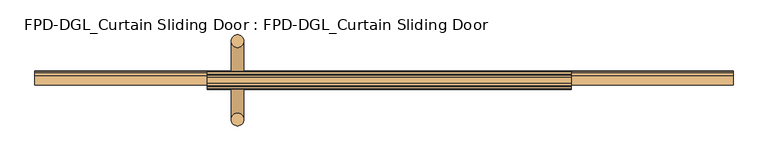
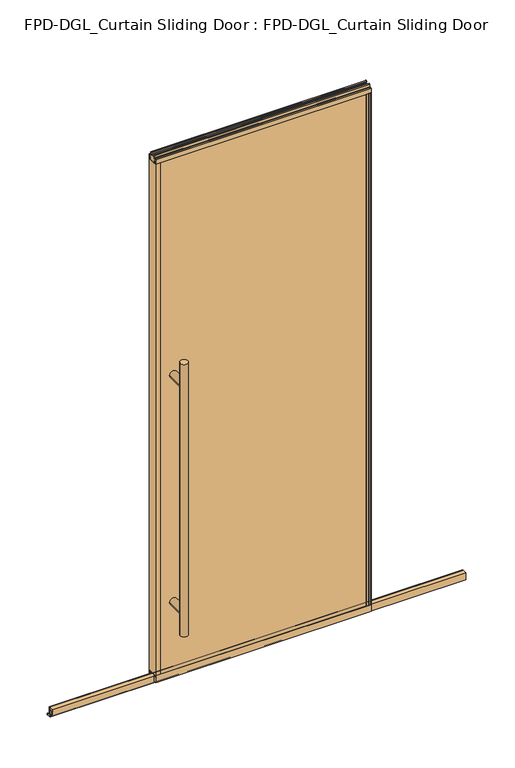
"""IFC4 building model written with IfcOpenShell, lengths in millimetres: door geometry, FPD-DGL_Curtain Sliding Door : FPD-DGL_Curtain Sliding Door."""

from ifc_helpers import new_model, si_unit, point, frame, frame_2d, origin, place, context, project, spatial, polyline, circle_curve, ellipse_curve, trimmed, segment, composite_curve, outline, extrude, source, transform, mapped, element, save
from ifc_brep_helpers import plane_surface, cylinder_surface, advanced_brep


def fpd_dgl_curtain_sliding_door_fpd_dgl_curtain_sliding_door_f60e6646(model_context):
    return source(origin(), model_context, "Body", "SolidModel", [
        advanced_brep(
        [(-364.33125, 35.128049, 1473.2), (-396.08125, 35.128049, 1473.2), (-364.33125, -162.0969566, 1473.2), (-396.08125, -162.0969566, 1473.2), (-364.33125, 35.128049, 254.0), (-396.08125, 35.128049, 254.0), (-364.33125, -162.0969566, 254.0), (-396.08125, -162.0969566, 254.0), (-364.33125, 35.128049, 355.6), (-396.08125, 35.128049, 355.6), (-364.33125, 35.128049, 1371.6), (-396.08125, 35.128049, 1371.6), (-396.08125, -162.0969566, 1371.6), (-396.08125, -162.0969566, 355.6), (-364.33125, -162.0969566, 355.6), (-364.33125, -162.0969566, 1371.6)],
        [
            (0, 1, circle_curve(frame((-380.20625, 35.128049, 1473.2), z_axis=(0.0, 0.0, 1.0), x_axis=(-1.0, 0.0, 0.0)), 15.875)),
            (1, 0, circle_curve(frame((-380.20625, 35.128049, 1473.2), z_axis=(0.0, 0.0, 1.0), x_axis=(-1.0, 0.0, 0.0)), 15.875)),
            (2, 3, circle_curve(frame((-380.20625, -162.0969566, 1473.2), z_axis=(0.0, 0.0, 1.0), x_axis=(-1.0, 0.0, 0.0)), 15.875)),
            (3, 2, circle_curve(frame((-380.20625, -162.0969566, 1473.2), z_axis=(0.0, 0.0, 1.0), x_axis=(-1.0, 0.0, 0.0)), 15.875)),
            (4, 5, circle_curve(frame((-380.20625, 35.128049, 254.0), z_axis=(0.0, 0.0, -1.0), x_axis=(-1.0, 0.0, 0.0)), 15.875)),
            (5, 4, circle_curve(frame((-380.20625, 35.128049, 254.0), z_axis=(0.0, 0.0, -1.0), x_axis=(-1.0, 0.0, 0.0)), 15.875)),
            (6, 7, circle_curve(frame((-380.20625, -162.0969566, 254.0), z_axis=(0.0, 0.0, -1.0), x_axis=(-1.0, 0.0, 0.0)), 15.875)),
            (7, 6, circle_curve(frame((-380.20625, -162.0969566, 254.0), z_axis=(0.0, 0.0, -1.0), x_axis=(-1.0, 0.0, 0.0)), 15.875)),
            (4, 8),
            (8, 9, ellipse_curve(frame((-380.20625, 35.128049, 355.6), z_axis=(0.0, 0.7071067811865525, -0.7071067811865427), x_axis=(0.0, 0.7071067811865427, 0.7071067811865523)), 22.4506403, 15.875)),
            (9, 5),
            (10, 11, ellipse_curve(frame((-380.20625, 35.128049, 1371.6), z_axis=(0.0, 0.7071067811865427, -0.7071067811865525), x_axis=(0.0, 0.7071067811865525, 0.7071067811865425)), 22.4506403, 15.875)),
            (11, 9),
            (9, 8, ellipse_curve(frame((-380.20625, 35.128049, 355.6), z_axis=(0.0, 0.7071067811865427, 0.7071067811865525), x_axis=(0.0, -0.7071067811865525, 0.7071067811865425)), 22.4506403, 15.875)),
            (8, 10),
            (1, 11),
            (11, 10, ellipse_curve(frame((-380.20625, 35.128049, 1371.6), z_axis=(0.0, 0.7071067811865525, 0.7071067811865427), x_axis=(0.0, -0.7071067811865427, 0.7071067811865523)), 22.4506403, 15.875)),
            (10, 0),
            (3, 12),
            (12, 13),
            (13, 7),
            (6, 14),
            (14, 15),
            (15, 2),
            (15, 12, ellipse_curve(frame((-380.20625, -162.0969566, 1371.6), z_axis=(0.0, -0.7071067811865427, 0.7071067811865525), x_axis=(0.0, 0.7071067811865525, 0.7071067811865425)), 22.4506403, 15.875)),
            (13, 14, ellipse_curve(frame((-380.20625, -162.0969566, 355.6), z_axis=(0.0, -0.7071067811865427, -0.7071067811865525), x_axis=(0.0, -0.7071067811865525, 0.7071067811865425)), 22.4506403, 15.875)),
            (14, 13, ellipse_curve(frame((-380.20625, -162.0969566, 355.6), z_axis=(0.0, -0.7071067811865525, 0.7071067811865427), x_axis=(0.0, 0.7071067811865427, 0.7071067811865523)), 22.4506403, 15.875)),
            (12, 15, ellipse_curve(frame((-380.20625, -162.0969566, 1371.6), z_axis=(0.0, -0.7071067811865525, -0.7071067811865427), x_axis=(0.0, -0.7071067811865427, 0.7071067811865523)), 22.4506403, 15.875)),
            (10, 15),
            (12, 11),
            (8, 14),
            (13, 9),
        ],
        [
            plane_surface(frame((-281.0988493, -63.5, 1473.2), z_axis=(0.0, 0.0, 1.0), x_axis=(0.0, 1.0, 0.0))),
            plane_surface(frame((-281.0988493, -63.5, 254.0), z_axis=(0.0, 0.0, -1.0), x_axis=(0.0, 1.0, 0.0))),
            cylinder_surface(frame((-380.20625, 35.128049, 1473.2), z_axis=(0.0, 0.0, 1.0), x_axis=(-1.0, 0.0, 0.0)), 15.875),
            cylinder_surface(frame((-380.20625, -162.0969566, 1473.2), z_axis=(0.0, 0.0, 1.0), x_axis=(-1.0, 0.0, 0.0)), 15.875),
            cylinder_surface(frame((-380.20625, -162.0969566, 1371.6), z_axis=(0.0, 1.0, 0.0), x_axis=(1.0, 0.0, 0.0)), 15.875),
            cylinder_surface(frame((-380.20625, -63.5, 355.6), z_axis=(0.0, 1.0, 0.0), x_axis=(1.0, 0.0, 0.0)), 15.875),
        ],
        [
            (0, [[1, 2]]),
            (0, [[3, 4]]),
            (1, [[5, 6]]),
            (1, [[7, 8]]),
            (2, [[9, 10, 11, -5]]),
            (2, [[12, 13, 14, 15]]),
            (2, [[16, 17, 18, -2]]),
            (2, [[-18, -15, -9, -6, -11, -13, -16, -1]]),
            (3, [[19, 20, 21, -7, 22, 23, 24, -4]]),
            (3, [[-24, 25, -19, -3]]),
            (3, [[-21, 26, -22, -8]]),
            (3, [[27, -20, 28, -23]]),
            (4, [[-12, 29, -28, 30]]),
            (4, [[-25, -29, -17, -30]]),
            (5, [[-10, 31, -26, 32]]),
            (5, [[-27, -31, -14, -32]]),
        ],
    ),
        extrude(outline(composite_curve([segment(polyline([(-59.6869794, 1.1714386), (-59.6869794, 4.0416386)]), True, "CONTINUOUS"), segment(trimmed(circle_curve(frame_2d((-58.5185794, 4.0416386)), 1.1684), [point((-59.6869794, 4.0416386))], [point((-58.9336188, 5.1338386))], False, "CARTESIAN"), True, "CONTINUOUS"), segment(polyline([(-58.9336188, 5.1338386), (-56.2262294, 5.1338386), (-56.2262294, 4.3138948), (-58.9122794, 4.3138948), (-58.9122794, 0.7650387), (-40.4337797, 0.7650387), (-40.4337797, 4.4232339), (-43.4288569, 4.4232339), (-43.4288569, 5.2100386), (-40.8401797, 5.2100386)]), True, "CONTINUOUS"), segment(trimmed(circle_curve(frame_2d((-40.8401797, 4.0416386)), 1.1684), [point((-40.8401797, 5.2100386))], [point((-39.6717797, 4.0416386))], False, "CARTESIAN"), True, "CONTINUOUS"), segment(polyline([(-39.6717797, 4.0416386), (-39.6717797, 1.1714386)]), True, "CONTINUOUS"), segment(trimmed(circle_curve(frame_2d((-40.8401797, 1.1714386)), 1.1684), [point((-39.6717797, 1.1714386))], [point((-40.8401797, 0.0030387))], False, "CARTESIAN"), True, "CONTINUOUS"), segment(polyline([(-40.8401797, 0.0030387), (-58.5185794, 0.0030387)]), True, "CONTINUOUS"), segment(trimmed(circle_curve(frame_2d((-58.5185794, 1.1714386)), 1.1684), [point((-58.5185794, 0.0030387))], [point((-59.6869794, 1.1714386))], False, "CARTESIAN"), True, "CONTINUOUS")], self_intersect=False)), frame((-888.20625, 0.0, 0.0), z_axis=(1.0, 0.0, 0.0), x_axis=(0.0, 1.0, 0.0)), (0.0, 0.0, 1.0), 1751.0125),
        extrude(outline(composite_curve([segment(polyline([(-74.4646139, 41.6030387), (-52.5646141, 41.6030387), (-52.5646141, 11.6839647), (-54.064702, 11.6839647), (-54.064702, 39.1709995)]), True, "CONTINUOUS"), segment(trimmed(circle_curve(frame_2d((-54.9969627, 39.1709995)), 0.9322606), [point((-54.064702, 39.1709995))], [point((-54.9969627, 40.1032601))], True, "CARTESIAN"), True, "CONTINUOUS"), segment(polyline([(-54.9969627, 40.1032601), (-60.0857402, 40.1032601)]), True, "CONTINUOUS"), segment(trimmed(circle_curve(frame_2d((-60.0857402, 39.1243868)), 0.9788733), [point((-60.0857402, 40.1032601))], [point((-61.0646135, 39.1243868))], True, "CARTESIAN"), True, "CONTINUOUS"), segment(polyline([(-61.0646135, 39.1243868), (-61.0646135, 11.6839647), (-62.6646138, 11.6839647), (-62.6646138, 33.5017657), (-64.0544462, 33.5017657), (-64.0544462, 34.3040626), (-62.6646138, 34.3040626), (-62.6646138, 35.6040627), (-73.4646139, 35.6040627), (-73.4646139, 34.3040626), (-72.0747815, 34.3040626), (-72.0747815, 33.5017657), (-73.4646139, 33.5017657), (-73.4646139, 11.6839647), (-74.4646139, 11.6839647), (-74.4646139, 41.6030387)]), True, "CONTINUOUS")], self_intersect=False)), frame((-888.20625, 0.0, 0.0), z_axis=(1.0, 0.0, 0.0), x_axis=(0.0, 1.0, 0.0)), (0.0, 0.0, 1.0), 1751.0125),
        extrude(outline(composite_curve([segment(polyline([(-49.1758097, 48.6471016), (-49.1758097, 47.6299627), (-50.5428229, 47.6299627), (-50.5428229, 41.3613764)]), True, "CONTINUOUS"), segment(trimmed(circle_curve(frame_2d((-48.227348, 41.3613764)), 2.3154748), [point((-50.5428229, 41.3613764))], [point((-48.227348, 39.0459016))], True, "CARTESIAN"), True, "CONTINUOUS"), segment(polyline([(-48.227348, 39.0459016), (-43.2396246, 39.0522555)]), True, "CONTINUOUS"), segment(trimmed(circle_curve(frame_2d((-43.337823, 39.8079016)), 0.762), [point((-43.2396246, 39.0522555))], [point((-42.575823, 39.8079016))], True, "CARTESIAN"), True, "CONTINUOUS"), segment(polyline([(-42.575823, 39.8079016), (-42.575823, 48.6471016), (-41.2758255, 48.6471016), (-41.2758255, 19.0059017), (-50.3972378, 19.0059017), (-50.3972378, 15.875), (-52.3015279, 15.875), (-52.3015279, 47.0470737), (-74.6984721, 47.0470737), (-74.6984721, 15.875), (-76.6027622, 15.875), (-76.6027622, 19.0059017), (-85.7241745, 19.0059017), (-85.7241745, 48.6471016), (-84.424177, 48.6471016), (-84.424177, 39.8079016)]), True, "CONTINUOUS"), segment(trimmed(circle_curve(frame_2d((-83.662177, 39.8079016)), 0.762), [point((-84.424177, 39.8079016))], [point((-83.7603754, 39.0522555))], True, "CARTESIAN"), True, "CONTINUOUS"), segment(polyline([(-83.7603754, 39.0522555), (-78.772652, 39.0459016)]), True, "CONTINUOUS"), segment(trimmed(circle_curve(frame_2d((-78.772652, 41.3613764)), 2.3154748), [point((-78.772652, 39.0459016))], [point((-76.4571771, 41.3613764))], True, "CARTESIAN"), True, "CONTINUOUS"), segment(polyline([(-76.4571771, 41.3613764), (-76.4571771, 47.6299627), (-77.8241903, 47.6299627), (-77.8241903, 48.6471016), (-49.1758097, 48.6471016)]), True, "CONTINUOUS")], self_intersect=False)), frame((-456.40625, 0.0, 0.0), z_axis=(1.0, 0.0, 0.0), x_axis=(0.0, 1.0, 0.0)), (0.0, 0.0, 1.0), 912.8125),
        extrude(outline(composite_curve([segment(polyline([(-55.1000175, 2373.482105), (-50.0953412, 2373.482105)]), True, "CONTINUOUS"), segment(trimmed(circle_curve(frame_2d((-50.0953412, 2372.8867925)), 0.5953125), [point((-50.0953412, 2373.482105))], [point((-49.5000287, 2372.8867925))], False, "CARTESIAN"), True, "CONTINUOUS"), segment(polyline([(-49.5000287, 2372.8867925), (-49.5000287, 2361.518791)]), True, "CONTINUOUS"), segment(trimmed(circle_curve(frame_2d((-47.5809248, 2361.518791)), 1.919104), [point((-49.5000287, 2361.518791))], [point((-47.5809248, 2359.599687))], True, "CARTESIAN"), True, "CONTINUOUS"), segment(polyline([(-47.5809248, 2359.599687), (-42.0750432, 2359.599687)]), True, "CONTINUOUS"), segment(trimmed(circle_curve(frame_2d((-42.0750432, 2358.7996885)), 0.7999985), [point((-42.0750432, 2359.599687))], [point((-41.2750446, 2358.7996885))], False, "CARTESIAN"), True, "CONTINUOUS"), segment(polyline([(-41.2750446, 2358.7996885), (-41.2750446, 2339.914687), (-42.5750423, 2339.914687), (-42.5750423, 2350.014667)]), True, "CONTINUOUS"), segment(trimmed(circle_curve(frame_2d((-43.0750413, 2350.014667)), 0.499999), [point((-42.5750423, 2350.014667))], [point((-43.0750413, 2350.514666))], True, "CARTESIAN"), True, "CONTINUOUS"), segment(polyline([(-43.0750413, 2350.514666), (-49.1750289, 2350.514666), (-49.1750289, 2339.914687), (-77.8249714, 2339.914687), (-77.8249714, 2350.514666), (-83.9249587, 2350.514666)]), True, "CONTINUOUS"), segment(trimmed(circle_curve(frame_2d((-83.9249587, 2350.014667)), 0.499999), [point((-83.9249587, 2350.514666))], [point((-84.4249577, 2350.014667))], True, "CARTESIAN"), True, "CONTINUOUS"), segment(polyline([(-84.4249577, 2350.014667), (-84.4249577, 2339.914687), (-85.7249551, 2339.914687), (-85.7249551, 2358.7996885)]), True, "CONTINUOUS"), segment(trimmed(circle_curve(frame_2d((-84.9249567, 2358.7996885)), 0.7999984), [point((-85.7249551, 2358.7996885))], [point((-84.9249567, 2359.5996869))], False, "CARTESIAN"), True, "CONTINUOUS"), segment(polyline([(-84.9249567, 2359.5996869), (-79.4190752, 2359.5996869)]), True, "CONTINUOUS"), segment(trimmed(circle_curve(frame_2d((-79.4190752, 2361.5187908)), 1.919104), [point((-79.4190752, 2359.5996869))], [point((-77.4999713, 2361.5187908))], True, "CARTESIAN"), True, "CONTINUOUS"), segment(polyline([(-77.4999713, 2361.5187908), (-77.4999713, 2372.8867925)]), True, "CONTINUOUS"), segment(trimmed(circle_curve(frame_2d((-76.9046588, 2372.8867925)), 0.5953125), [point((-77.4999713, 2372.8867925))], [point((-76.9046588, 2373.482105))], False, "CARTESIAN"), True, "CONTINUOUS"), segment(polyline([(-76.9046588, 2373.482105), (-71.8999825, 2373.482105), (-71.8999825, 2371.482109), (-75.4999752, 2371.482109), (-75.4999752, 2362.982126)]), True, "CONTINUOUS"), segment(trimmed(circle_curve(frame_2d((-74.9999762, 2362.982126)), 0.499999), [point((-75.4999752, 2362.982126))], [point((-74.9999762, 2362.482127))], True, "CARTESIAN"), True, "CONTINUOUS"), segment(polyline([(-74.9999762, 2362.482127), (-52.0000238, 2362.482127)]), True, "CONTINUOUS"), segment(trimmed(circle_curve(frame_2d((-52.0000238, 2362.982126)), 0.499999), [point((-52.0000238, 2362.482127))], [point((-51.5000248, 2362.982126))], True, "CARTESIAN"), True, "CONTINUOUS"), segment(polyline([(-51.5000248, 2362.982126), (-51.5000248, 2371.482109), (-55.1000175, 2371.482109), (-55.1000175, 2373.482105)]), True, "CONTINUOUS")], self_intersect=False)), frame((-456.40625, 0.0, 0.0), z_axis=(1.0, 0.0, 0.0), x_axis=(0.0, 1.0, 0.0)), (0.0, 0.0, 1.0), 912.8125),
        extrude(outline(polyline([(446.4694011, -84.4265993), (-446.4694011, -84.4265993), (-446.4694011, -77.825), (446.4694011, -77.825), (446.4694011, -84.4265993)])), frame((0.0, 0.0, 39.1580021), z_axis=(0.0, 0.0, 1.0), x_axis=(1.0, 0.0, 0.0)), (0.0, 0.0, 1.0), 2311.0901216),
        extrude(outline(polyline([(-446.4694011, -49.175), (-446.4694011, -42.5734007), (446.4694011, -42.5734007), (446.4694011, -49.175), (-446.4694011, -49.175)])), frame((0.0, 0.0, 39.1580021), z_axis=(0.0, 0.0, 1.0), x_axis=(1.0, 0.0, 0.0)), (0.0, 0.0, 1.0), 2311.0901216),
        extrude(outline(composite_curve([segment(polyline([(-456.40625, -85.725), (-456.40625, -41.275), (-435.8694011, -41.275), (-435.8694011, -42.5734), (-445.9402074, -42.5734)]), True, "CONTINUOUS"), segment(trimmed(circle_curve(frame_2d((-445.9402074, -43.1025937)), 0.5291937), [point((-445.9402074, -42.5734))], [point((-446.4694011, -43.1025937))], True, "CARTESIAN"), True, "CONTINUOUS"), segment(polyline([(-446.4694011, -43.1025937), (-446.4694011, -45.0596), (-447.6694009, -45.0596), (-447.6694009, -42.5798), (-454.6028499, -42.5798), (-454.6028499, -54.254802), (-447.6694009, -54.254802), (-447.6694009, -49.175), (-435.8694011, -49.175), (-435.8694011, -77.825), (-447.6694009, -77.825), (-447.6694009, -72.745198), (-454.6028499, -72.745198), (-454.6028499, -84.4202), (-447.6694009, -84.4202), (-447.6694009, -81.9404), (-446.4694011, -81.9404), (-446.4694011, -83.9185993)]), True, "CONTINUOUS"), segment(trimmed(circle_curve(frame_2d((-445.9614011, -83.9185993)), 0.508), [point((-446.4694011, -83.9185993))], [point((-445.9614011, -84.4265993))], True, "CARTESIAN"), True, "CONTINUOUS"), segment(polyline([(-445.9614011, -84.4265993), (-435.8694011, -84.4265993), (-435.8694011, -85.725), (-456.40625, -85.725)]), True, "CONTINUOUS")], self_intersect=False)), frame((0.0, 0.0, 48.6471016), z_axis=(0.0, 0.0, 1.0), x_axis=(1.0, 0.0, 0.0)), (0.0, 0.0, 1.0), 2291.2675854),
        extrude(outline(composite_curve([segment(polyline([(456.40625, -85.725), (435.8694011, -85.725), (435.8694011, -84.4265993), (445.9614011, -84.4265993)]), True, "CONTINUOUS"), segment(trimmed(circle_curve(frame_2d((445.9614011, -83.9185993)), 0.508), [point((445.9614011, -84.4265993))], [point((446.4694011, -83.9185993))], True, "CARTESIAN"), True, "CONTINUOUS"), segment(polyline([(446.4694011, -83.9185993), (446.4694011, -81.9404), (447.6694009, -81.9404), (447.6694009, -84.4202), (454.6028499, -84.4202), (454.6028499, -72.745198), (447.6694009, -72.745198), (447.6694009, -77.825), (435.8694011, -77.825), (435.8694011, -49.175), (447.6694009, -49.175), (447.6694009, -54.254802), (454.6028499, -54.254802), (454.6028499, -42.5798), (447.6694009, -42.5798), (447.6694009, -45.0596), (446.4694011, -45.0596), (446.4694011, -43.1025937)]), True, "CONTINUOUS"), segment(trimmed(circle_curve(frame_2d((445.9402074, -43.1025937)), 0.5291937), [point((446.4694011, -43.1025937))], [point((445.9402074, -42.5734))], True, "CARTESIAN"), True, "CONTINUOUS"), segment(polyline([(445.9402074, -42.5734), (435.869401, -42.5734), (435.869401, -41.275), (456.40625, -41.275), (456.40625, -85.725)]), True, "CONTINUOUS")], self_intersect=False)), frame((0.0, 0.0, 48.6471016), z_axis=(0.0, 0.0, 1.0), x_axis=(1.0, 0.0, 0.0)), (0.0, 0.0, 1.0), 2291.2675854),
    ])


if __name__ == "__main__":
    model = new_model("IFC4")
    model_context = context("Model", 3, world=origin())
    ifc_project = project(units=[si_unit("LENGTHUNIT", "METRE", prefix="MILLI")], contexts=[model_context])
    site = spatial("IfcSite", under=ifc_project)
    building = spatial("IfcBuilding", under=site)
    placement = place(None, origin())
    fpd_dgl_curtain_sliding_door_fpd_dgl_curtain_sliding_door_shape = fpd_dgl_curtain_sliding_door_fpd_dgl_curtain_sliding_door_f60e6646(model_context)
    element("IfcDoor", 1, ObjectType="FPD-DGL_Curtain Sliding Door : FPD-DGL_Curtain Sliding Door", at=placement, inside=building, context=model_context, shape_type="MappedRepresentation", body=[
        mapped(fpd_dgl_curtain_sliding_door_fpd_dgl_curtain_sliding_door_shape, transform((0.0, 0.0, 0.0), x_axis=(1.0, 0.0, 0.0), y_axis=(0.0, 1.0, 0.0), z_axis=(0.0, 0.0, 1.0))),
    ])
    save(model, "model.ifc")
